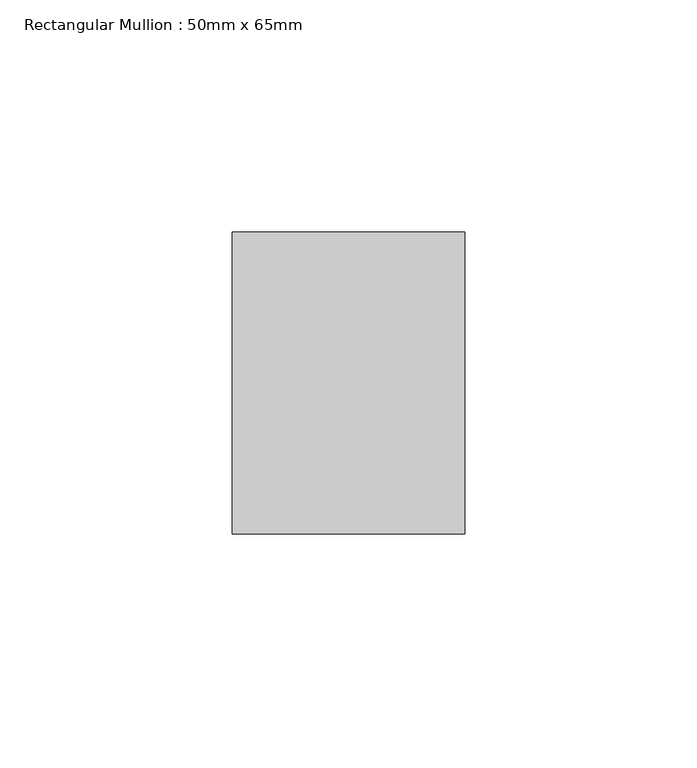
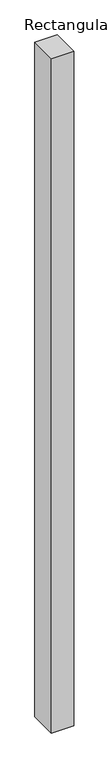
"""IFC4 building model written with IfcOpenShell, lengths in millimetres: member geometry, Rectangular Mullion : 50mm x 65mm."""

import ifcopenshell
import ifcopenshell.guid

model = None  # the IFC model being written
_history = None  # IfcOwnerHistory: only IFC2X3 demands one
_inside = {}  # id of a spatial element -> (the spatial element, [elements in it])
_under = {}  # id of a project, library or spatial element -> (it, [spatial elements below it])
_declared = {}  # id of a project -> (the project, [libraries it declares])
_typed = {}  # id of a type object -> (the type object, [elements of that type])
_made_of = {}  # id of a material, layer set ... -> (it, [elements and type objects made of it])


def new_model(schema):
    """Start an empty IFC model of exactly this schema.

    Asked for "IFC4X3", IfcOpenShell would pick the latest addendum, in which some entities
    have other attributes; the version numbers below select the first issue.
    IFC2X3 requires an IfcOwnerHistory on every rooted entity: one is made here for all.
    """
    global model, _history
    if schema == "IFC4X3":
        model = ifcopenshell.file(schema_version=(4, 3, 0, 0))
    else:
        model = ifcopenshell.file(schema=schema)
    _inside.clear()
    _under.clear()
    _declared.clear()
    _typed.clear()
    _made_of.clear()
    _history = None
    if model.schema == "IFC2X3":
        org = make("IfcOrganization", Name="unknown")
        user = make(
            "IfcPersonAndOrganization",
            ThePerson=make("IfcPerson", FamilyName="unknown"),
            TheOrganization=org,
        )
        app = make(
            "IfcApplication",
            ApplicationDeveloper=org,
            Version="unknown",
            ApplicationFullName="unknown",
            ApplicationIdentifier="unknown",
        )
        _history = make(
            "IfcOwnerHistory",
            OwningUser=user,
            OwningApplication=app,
            ChangeAction="ADDED",
            CreationDate=0,
        )
    return model


def make(cls, **values):
    """One entity of the class cls with the attributes given. An attribute that is None is left unset."""
    return model.create_entity(
        cls, **{name: value for name, value in values.items() if value is not None}
    )


def rooted(cls, **values):
    """An entity with a GlobalId (a new one), such as an element, a storey or a relation."""
    return make(cls, GlobalId=ifcopenshell.guid.new(), OwnerHistory=_history, **values)


def si_unit(unit_type, name, prefix=None):
    """IfcSIUnit, for example si_unit("LENGTHUNIT", "METRE", prefix="MILLI")."""
    return make("IfcSIUnit", UnitType=unit_type, Prefix=prefix, Name=name)


def assignment(units):
    """IfcUnitAssignment: the units of a project."""
    return None if units is None else make("IfcUnitAssignment", Units=units)


def point(xyz):
    """IfcCartesianPoint."""
    return None if xyz is None else make("IfcCartesianPoint", Coordinates=xyz)


def direction(xyz):
    """IfcDirection."""
    return None if xyz is None else make("IfcDirection", DirectionRatios=xyz)


def frame(location, z_axis=None, x_axis=None):
    """IfcAxis2Placement3D, a coordinate frame: its origin and axes. An axis left out is left unset."""
    return make(
        "IfcAxis2Placement3D",
        Location=point(location),
        Axis=direction(z_axis),
        RefDirection=direction(x_axis),
    )


def origin():
    """The frame at (0, 0, 0) with its axes left unset."""
    return frame((0.0, 0.0, 0.0))


def place(relative_to, where):
    """IfcLocalPlacement: puts the frame where relative to a parent placement (None: the world)."""
    return make(
        "IfcLocalPlacement", PlacementRelTo=relative_to, RelativePlacement=where
    )


def context(
    kind, dimensions, precision=None, world=None, true_north=None, identifier=None
):
    """IfcGeometricRepresentationContext, for example the 3D "Model" context."""
    return make(
        "IfcGeometricRepresentationContext",
        ContextIdentifier=identifier,
        ContextType=kind,
        CoordinateSpaceDimension=dimensions,
        Precision=precision,
        WorldCoordinateSystem=world,
        TrueNorth=true_north,
    )


def project(units=None, contexts=None):
    """IfcProject with its units and contexts."""
    return rooted(
        "IfcProject",
        Name="project",
        RepresentationContexts=contexts,
        UnitsInContext=assignment(units),
    )


def spatial(cls, under=None, at=None, **own):
    """A site, building, storey or space (cls), placed at a placement, below another one or the project."""
    s = rooted(cls, ObjectPlacement=at, **own)
    if under is not None:
        _under.setdefault(under.id(), (under, []))[1].append(s)
    return s


def polyline(points):
    """IfcPolyline through the points."""
    return make("IfcPolyline", Points=[point(p) for p in points])


def outline(outer, holes=None, kind="AREA"):
    """IfcArbitraryClosedProfileDef: a profile drawn as a closed curve; with holes, ...WithVoids."""
    if holes is None:
        return make("IfcArbitraryClosedProfileDef", ProfileType=kind, OuterCurve=outer)
    return make(
        "IfcArbitraryProfileDefWithVoids",
        ProfileType=kind,
        OuterCurve=outer,
        InnerCurves=holes,
    )


def extrude(swept, where, along, depth):
    """IfcExtrudedAreaSolid: the profile swept, set in the frame where, extruded along a direction by depth."""
    return make(
        "IfcExtrudedAreaSolid",
        SweptArea=swept,
        Position=where,
        ExtrudedDirection=direction(along),
        Depth=depth,
    )


def shape(context_of_items, identifier, shape_type, items):
    """IfcShapeRepresentation: the items that make up one representation, for example the "Body"."""
    return make(
        "IfcShapeRepresentation",
        ContextOfItems=context_of_items,
        RepresentationIdentifier=identifier,
        RepresentationType=shape_type,
        Items=items,
    )


def source(mapping_origin, context_of_items, identifier, shape_type, items):
    """IfcRepresentationMap: a shape defined once, which mapped items show again and again."""
    return make(
        "IfcRepresentationMap",
        MappingOrigin=mapping_origin,
        MappedRepresentation=shape(context_of_items, identifier, shape_type, items),
    )


def transform(
    local_origin,
    x_axis=None,
    y_axis=None,
    z_axis=None,
    scale=None,
    scale2=None,
    scale3=None,
    uniform=True,
):
    """IfcCartesianTransformationOperator3D, or its non-uniform kind. x_axis, y_axis, z_axis: its Axis1, 2, 3."""
    if uniform:
        return make(
            "IfcCartesianTransformationOperator3D",
            Axis1=direction(x_axis),
            Axis2=direction(y_axis),
            LocalOrigin=point(local_origin),
            Scale=scale,
            Axis3=direction(z_axis),
        )
    return make(
        "IfcCartesianTransformationOperator3DnonUniform",
        Axis1=direction(x_axis),
        Axis2=direction(y_axis),
        LocalOrigin=point(local_origin),
        Scale=scale,
        Axis3=direction(z_axis),
        Scale2=scale2,
        Scale3=scale3,
    )


def mapped(mapping_source, mapping_target):
    """IfcMappedItem: shows the shape of a source again, moved by a transform."""
    return make(
        "IfcMappedItem", MappingSource=mapping_source, MappingTarget=mapping_target
    )


def made_of(thing, what):
    """Note that an element or type object is made of a material, layer set ...; save() writes the relation."""
    if what is not None:
        _made_of.setdefault(what.id(), (what, []))[1].append(thing)
    return thing


def element(
    cls,
    number,
    at=None,
    inside=None,
    cuts=None,
    type_object=None,
    material=None,
    context=None,
    identifier="Body",
    shape_type=None,
    held_by="IfcProductDefinitionShape",
    body=None,
    shapes=None,
    **own,
):
    """One element of the class cls, such as IfcWall. Its Tag is "e" and its number.

    at: its placement. inside: the storey or other place that contains it. cuts: it is an
    opening in that element (IfcRelVoidsElement). A single representation is given by context,
    identifier, shape_type and body (its items); several are given by shapes. held_by: the class
    of the entity that holds the representations. save() writes the other relations.
    """
    e = rooted(cls, Tag="e%d" % number, ObjectPlacement=at, **own)
    if body is not None:
        shapes = [shape(context, identifier, shape_type, body)]
    if shapes is not None:
        e.Representation = make(held_by, Representations=shapes)
    if inside is not None:
        _inside.setdefault(inside.id(), (inside, []))[1].append(e)
    if cuts is not None:
        rooted(
            "IfcRelVoidsElement", RelatingBuildingElement=cuts, RelatedOpeningElement=e
        )
    if type_object is not None:
        _typed.setdefault(type_object.id(), (type_object, []))[1].append(e)
    return made_of(e, material)


def aggregate(whole, parts):
    """IfcRelAggregates: a whole, such as a stair, and the parts it consists of."""
    return rooted("IfcRelAggregates", RelatingObject=whole, RelatedObjects=parts)


def save(model, path):
    """Write the relations noted so far, then the file.

    IfcRelAggregates (storeys below a building ...), IfcRelContainedInSpatialStructure (elements
    in a storey), IfcRelDefinesByType, IfcRelAssociatesMaterial and IfcRelDeclares: one each for
    every whole, place, type object, material and project.
    """
    for whole, parts in _under.values():
        aggregate(whole, parts)
    for where, things in _inside.values():
        rooted(
            "IfcRelContainedInSpatialStructure",
            RelatedElements=things,
            RelatingStructure=where,
        )
    for kind, things in _typed.values():
        rooted("IfcRelDefinesByType", RelatedObjects=things, RelatingType=kind)
    for what, things in _made_of.values():
        rooted("IfcRelAssociatesMaterial", RelatedObjects=things, RelatingMaterial=what)
    for by, libraries in _declared.values():
        rooted("IfcRelDeclares", RelatingContext=by, RelatedDefinitions=libraries)
    model.write(path)


def rectangular_mullion_50mm_x_65mm_e5b4f8ab(model_context):
    return source(origin(), model_context, "Body", "SweptSolid", [
        extrude(outline(polyline([(25.0, 32.5), (25.0, -32.5), (-25.0, -32.5), (-25.0, 32.5), (25.0, 32.5)])), frame((0.0, 0.0, -1612.9649291), z_axis=(0.0, 0.0, 1.0), x_axis=(1.0, 0.0, 0.0)), (0.0, 0.0, 1.0), 1612.9649291),
    ])


if __name__ == "__main__":
    model = new_model("IFC4")
    model_context = context("Model", 3, world=origin())
    ifc_project = project(units=[si_unit("LENGTHUNIT", "METRE", prefix="MILLI")], contexts=[model_context])
    site = spatial("IfcSite", under=ifc_project)
    building = spatial("IfcBuilding", under=site)
    placement = place(None, origin())
    rectangular_mullion_50mm_x_65mm_shape = rectangular_mullion_50mm_x_65mm_e5b4f8ab(model_context)
    element("IfcMember", 1, ObjectType="Rectangular Mullion : 50mm x 65mm", at=placement, inside=building, context=model_context, shape_type="MappedRepresentation", body=[
        mapped(rectangular_mullion_50mm_x_65mm_shape, transform((0.0, 0.0, 0.0), x_axis=(1.0, 0.0, 0.0), y_axis=(0.0, 1.0, 0.0), z_axis=(0.0, 0.0, 1.0))),
    ])
    save(model, "model.ifc")
